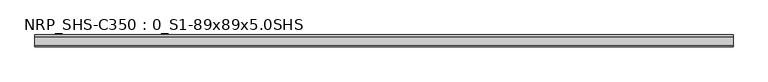
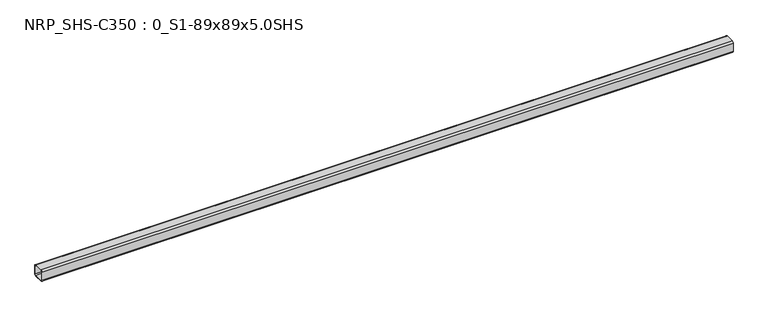
"""IFC4 building model written with IfcOpenShell, lengths in millimetres: beam geometry, NRP_SHS-C350 : 0_S1-89x89x5.0SHS."""

from ifc_helpers import new_model, si_unit, point, frame, frame_2d, origin, place, context, project, spatial, polyline, circle_curve, trimmed, segment, composite_curve, outline, extrude, source, transform, mapped, element, save


def nrp_shs_c350_0_s1_89x89x5_0shs_703dc7f0(model_context):
    return source(origin(), model_context, "Body", "SweptSolid", [
        extrude(outline(composite_curve([segment(polyline([(44.5, 32.0), (44.5, -32.0)]), True, "CONTINUOUS"), segment(trimmed(circle_curve(frame_2d((32.0, -32.0)), 12.5), [point((44.5, -32.0))], [point((32.0, -44.5))], False, "CARTESIAN"), True, "CONTINUOUS"), segment(polyline([(32.0, -44.5), (-32.0, -44.5)]), True, "CONTINUOUS"), segment(trimmed(circle_curve(frame_2d((-32.0, -32.0)), 12.5), [point((-32.0, -44.5))], [point((-44.5, -32.0))], False, "CARTESIAN"), True, "CONTINUOUS"), segment(polyline([(-44.5, -32.0), (-44.5, 32.0)]), True, "CONTINUOUS"), segment(trimmed(circle_curve(frame_2d((-32.0, 32.0)), 12.5), [point((-44.5, 32.0))], [point((-32.0, 44.5))], False, "CARTESIAN"), True, "CONTINUOUS"), segment(polyline([(-32.0, 44.5), (32.0, 44.5)]), True, "CONTINUOUS"), segment(trimmed(circle_curve(frame_2d((32.0, 32.0)), 12.5), [point((32.0, 44.5))], [point((44.5, 32.0))], False, "CARTESIAN"), True, "CONTINUOUS")], self_intersect=False), holes=[composite_curve([segment(trimmed(circle_curve(frame_2d((-32.0, 32.0)), 7.5), [point((-32.0, 39.5))], [point((-39.5, 32.0))], True, "CARTESIAN"), True, "CONTINUOUS"), segment(polyline([(-39.5, 32.0), (-39.5, -32.0)]), True, "CONTINUOUS"), segment(trimmed(circle_curve(frame_2d((-32.0, -32.0)), 7.5), [point((-39.5, -32.0))], [point((-32.0, -39.5))], True, "CARTESIAN"), True, "CONTINUOUS"), segment(polyline([(-32.0, -39.5), (32.0, -39.5)]), True, "CONTINUOUS"), segment(trimmed(circle_curve(frame_2d((32.0, -32.0)), 7.5), [point((32.0, -39.5))], [point((39.5, -32.0))], True, "CARTESIAN"), True, "CONTINUOUS"), segment(polyline([(39.5, -32.0), (39.5, 32.0)]), True, "CONTINUOUS"), segment(trimmed(circle_curve(frame_2d((32.0, 32.0)), 7.5), [point((39.5, 32.0))], [point((32.0, 39.5))], True, "CARTESIAN"), True, "CONTINUOUS"), segment(polyline([(32.0, 39.5), (-32.0, 39.5)]), True, "CONTINUOUS")], self_intersect=False)]), frame((-2626.0, 0.0, 0.0), z_axis=(1.0, 0.0, 0.0), x_axis=(0.0, 1.0, 0.0)), (0.0, 0.0, 1.0), 5163.0),
    ])


if __name__ == "__main__":
    model = new_model("IFC4")
    model_context = context("Model", 3, world=origin())
    ifc_project = project(units=[si_unit("LENGTHUNIT", "METRE", prefix="MILLI")], contexts=[model_context])
    site = spatial("IfcSite", under=ifc_project)
    building = spatial("IfcBuilding", under=site)
    placement = place(None, origin())
    nrp_shs_c350_0_s1_89x89x5_0shs_shape = nrp_shs_c350_0_s1_89x89x5_0shs_703dc7f0(model_context)
    element("IfcBeam", 1, ObjectType="NRP_SHS-C350 : 0_S1-89x89x5.0SHS", at=placement, inside=building, context=model_context, shape_type="MappedRepresentation", body=[
        mapped(nrp_shs_c350_0_s1_89x89x5_0shs_shape, transform((0.0, 0.0, 0.0), x_axis=(1.0, 0.0, 0.0), y_axis=(0.0, 1.0, 0.0), z_axis=(0.0, 0.0, 1.0))),
    ])
    save(model, "model.ifc")
